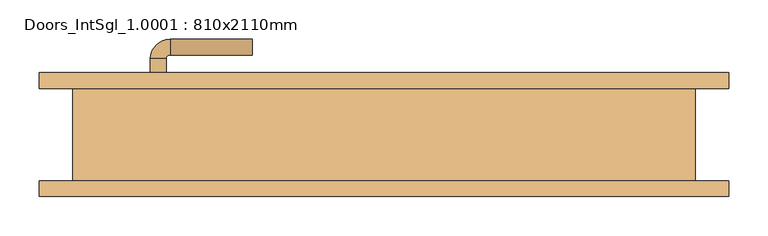
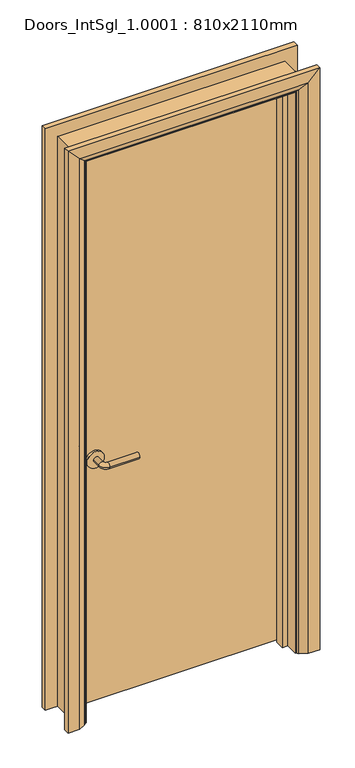
"""IFC4 building model written with IfcOpenShell, lengths in millimetres: door geometry, Doors_IntSgl_1.0001 : 810x2110mm."""

import ifcopenshell
import ifcopenshell.guid

model = None  # the IFC model being written
_history = None  # IfcOwnerHistory: only IFC2X3 demands one
_inside = {}  # id of a spatial element -> (the spatial element, [elements in it])
_under = {}  # id of a project, library or spatial element -> (it, [spatial elements below it])
_declared = {}  # id of a project -> (the project, [libraries it declares])
_typed = {}  # id of a type object -> (the type object, [elements of that type])
_made_of = {}  # id of a material, layer set ... -> (it, [elements and type objects made of it])


def new_model(schema):
    """Start an empty IFC model of exactly this schema.

    Asked for "IFC4X3", IfcOpenShell would pick the latest addendum, in which some entities
    have other attributes; the version numbers below select the first issue.
    IFC2X3 requires an IfcOwnerHistory on every rooted entity: one is made here for all.
    """
    global model, _history
    if schema == "IFC4X3":
        model = ifcopenshell.file(schema_version=(4, 3, 0, 0))
    else:
        model = ifcopenshell.file(schema=schema)
    _inside.clear()
    _under.clear()
    _declared.clear()
    _typed.clear()
    _made_of.clear()
    _history = None
    if model.schema == "IFC2X3":
        org = make("IfcOrganization", Name="unknown")
        user = make(
            "IfcPersonAndOrganization",
            ThePerson=make("IfcPerson", FamilyName="unknown"),
            TheOrganization=org,
        )
        app = make(
            "IfcApplication",
            ApplicationDeveloper=org,
            Version="unknown",
            ApplicationFullName="unknown",
            ApplicationIdentifier="unknown",
        )
        _history = make(
            "IfcOwnerHistory",
            OwningUser=user,
            OwningApplication=app,
            ChangeAction="ADDED",
            CreationDate=0,
        )
    return model


def make(cls, **values):
    """One entity of the class cls with the attributes given. An attribute that is None is left unset."""
    return model.create_entity(
        cls, **{name: value for name, value in values.items() if value is not None}
    )


def rooted(cls, **values):
    """An entity with a GlobalId (a new one), such as an element, a storey or a relation."""
    return make(cls, GlobalId=ifcopenshell.guid.new(), OwnerHistory=_history, **values)


def si_unit(unit_type, name, prefix=None):
    """IfcSIUnit, for example si_unit("LENGTHUNIT", "METRE", prefix="MILLI")."""
    return make("IfcSIUnit", UnitType=unit_type, Prefix=prefix, Name=name)


def assignment(units):
    """IfcUnitAssignment: the units of a project."""
    return None if units is None else make("IfcUnitAssignment", Units=units)


def point(xyz):
    """IfcCartesianPoint."""
    return None if xyz is None else make("IfcCartesianPoint", Coordinates=xyz)


def direction(xyz):
    """IfcDirection."""
    return None if xyz is None else make("IfcDirection", DirectionRatios=xyz)


def frame(location, z_axis=None, x_axis=None):
    """IfcAxis2Placement3D, a coordinate frame: its origin and axes. An axis left out is left unset."""
    return make(
        "IfcAxis2Placement3D",
        Location=point(location),
        Axis=direction(z_axis),
        RefDirection=direction(x_axis),
    )


def frame_2d(location, x_axis=None):
    """IfcAxis2Placement2D, a coordinate frame in the plane: its origin and x axis."""
    return make(
        "IfcAxis2Placement2D", Location=point(location), RefDirection=direction(x_axis)
    )


def origin():
    """The frame at (0, 0, 0) with its axes left unset."""
    return frame((0.0, 0.0, 0.0))


def place(relative_to, where):
    """IfcLocalPlacement: puts the frame where relative to a parent placement (None: the world)."""
    return make(
        "IfcLocalPlacement", PlacementRelTo=relative_to, RelativePlacement=where
    )


def context(
    kind, dimensions, precision=None, world=None, true_north=None, identifier=None
):
    """IfcGeometricRepresentationContext, for example the 3D "Model" context."""
    return make(
        "IfcGeometricRepresentationContext",
        ContextIdentifier=identifier,
        ContextType=kind,
        CoordinateSpaceDimension=dimensions,
        Precision=precision,
        WorldCoordinateSystem=world,
        TrueNorth=true_north,
    )


def project(units=None, contexts=None):
    """IfcProject with its units and contexts."""
    return rooted(
        "IfcProject",
        Name="project",
        RepresentationContexts=contexts,
        UnitsInContext=assignment(units),
    )


def spatial(cls, under=None, at=None, **own):
    """A site, building, storey or space (cls), placed at a placement, below another one or the project."""
    s = rooted(cls, ObjectPlacement=at, **own)
    if under is not None:
        _under.setdefault(under.id(), (under, []))[1].append(s)
    return s


def polyline(points):
    """IfcPolyline through the points."""
    return make("IfcPolyline", Points=[point(p) for p in points])


def circle_curve(where, radius):
    """IfcCircle in the frame where."""
    return make("IfcCircle", Position=where, Radius=radius)


def ellipse_curve(where, semi_axis1, semi_axis2):
    """IfcEllipse in the frame where."""
    return make(
        "IfcEllipse", Position=where, SemiAxis1=semi_axis1, SemiAxis2=semi_axis2
    )


def trimmed(basis, trim1, trim2, sense, master):
    """IfcTrimmedCurve: the piece of a basis curve between two trims."""
    return make(
        "IfcTrimmedCurve",
        BasisCurve=basis,
        Trim1=trim1,
        Trim2=trim2,
        SenseAgreement=sense,
        MasterRepresentation=master,
    )


def segment(curve, same_sense, transition):
    """IfcCompositeCurveSegment."""
    return make(
        "IfcCompositeCurveSegment",
        Transition=transition,
        SameSense=same_sense,
        ParentCurve=curve,
    )


def composite_curve(segments, self_intersect=None):
    """IfcCompositeCurve: segments joined end to end."""
    return make("IfcCompositeCurve", Segments=segments, SelfIntersect=self_intersect)


def outline(outer, holes=None, kind="AREA"):
    """IfcArbitraryClosedProfileDef: a profile drawn as a closed curve; with holes, ...WithVoids."""
    if holes is None:
        return make("IfcArbitraryClosedProfileDef", ProfileType=kind, OuterCurve=outer)
    return make(
        "IfcArbitraryProfileDefWithVoids",
        ProfileType=kind,
        OuterCurve=outer,
        InnerCurves=holes,
    )


def extrude(swept, where, along, depth):
    """IfcExtrudedAreaSolid: the profile swept, set in the frame where, extruded along a direction by depth."""
    return make(
        "IfcExtrudedAreaSolid",
        SweptArea=swept,
        Position=where,
        ExtrudedDirection=direction(along),
        Depth=depth,
    )


def faces_of(points, faces, orient=None, outer=None):
    """IfcFace entities. A face is a list of loops; a loop is a list of indices into points, from 0.

    orient and outer hold one flag for each loop. By default every Orientation is true, the
    first loop of a face is its IfcFaceOuterBound and the others are IfcFaceBound.
    """
    made = []
    for i, loops in enumerate(faces):
        bounds = []
        for j, loop in enumerate(loops):
            is_outer = j == 0 if outer is None else outer[i][j]
            bounds.append(
                make(
                    "IfcFaceOuterBound" if is_outer else "IfcFaceBound",
                    Bound=make("IfcPolyLoop", Polygon=[points[k] for k in loop]),
                    Orientation=True if orient is None else orient[i][j],
                )
            )
        made.append(make("IfcFace", Bounds=bounds))
    return made


def faceted_brep(points, faces, orient=None, outer=None, voids=None):
    """IfcFacetedBrep: a solid bounded by flat faces; with voids (closed shells), ...WithVoids."""
    shared = [point(p) for p in points]
    hull = make("IfcClosedShell", CfsFaces=faces_of(shared, faces, orient, outer))
    if voids is None:
        return make("IfcFacetedBrep", Outer=hull)
    return make(
        "IfcFacetedBrepWithVoids",
        Outer=hull,
        Voids=[
            make(cls, CfsFaces=faces_of(shared, fs, o, b)) for cls, fs, o, b in voids
        ],
    )


def shape(context_of_items, identifier, shape_type, items):
    """IfcShapeRepresentation: the items that make up one representation, for example the "Body"."""
    return make(
        "IfcShapeRepresentation",
        ContextOfItems=context_of_items,
        RepresentationIdentifier=identifier,
        RepresentationType=shape_type,
        Items=items,
    )


def source(mapping_origin, context_of_items, identifier, shape_type, items):
    """IfcRepresentationMap: a shape defined once, which mapped items show again and again."""
    return make(
        "IfcRepresentationMap",
        MappingOrigin=mapping_origin,
        MappedRepresentation=shape(context_of_items, identifier, shape_type, items),
    )


def transform(
    local_origin,
    x_axis=None,
    y_axis=None,
    z_axis=None,
    scale=None,
    scale2=None,
    scale3=None,
    uniform=True,
):
    """IfcCartesianTransformationOperator3D, or its non-uniform kind. x_axis, y_axis, z_axis: its Axis1, 2, 3."""
    if uniform:
        return make(
            "IfcCartesianTransformationOperator3D",
            Axis1=direction(x_axis),
            Axis2=direction(y_axis),
            LocalOrigin=point(local_origin),
            Scale=scale,
            Axis3=direction(z_axis),
        )
    return make(
        "IfcCartesianTransformationOperator3DnonUniform",
        Axis1=direction(x_axis),
        Axis2=direction(y_axis),
        LocalOrigin=point(local_origin),
        Scale=scale,
        Axis3=direction(z_axis),
        Scale2=scale2,
        Scale3=scale3,
    )


def mapped(mapping_source, mapping_target):
    """IfcMappedItem: shows the shape of a source again, moved by a transform."""
    return make(
        "IfcMappedItem", MappingSource=mapping_source, MappingTarget=mapping_target
    )


def made_of(thing, what):
    """Note that an element or type object is made of a material, layer set ...; save() writes the relation."""
    if what is not None:
        _made_of.setdefault(what.id(), (what, []))[1].append(thing)
    return thing


def element(
    cls,
    number,
    at=None,
    inside=None,
    cuts=None,
    type_object=None,
    material=None,
    context=None,
    identifier="Body",
    shape_type=None,
    held_by="IfcProductDefinitionShape",
    body=None,
    shapes=None,
    **own,
):
    """One element of the class cls, such as IfcWall. Its Tag is "e" and its number.

    at: its placement. inside: the storey or other place that contains it. cuts: it is an
    opening in that element (IfcRelVoidsElement). A single representation is given by context,
    identifier, shape_type and body (its items); several are given by shapes. held_by: the class
    of the entity that holds the representations. save() writes the other relations.
    """
    e = rooted(cls, Tag="e%d" % number, ObjectPlacement=at, **own)
    if body is not None:
        shapes = [shape(context, identifier, shape_type, body)]
    if shapes is not None:
        e.Representation = make(held_by, Representations=shapes)
    if inside is not None:
        _inside.setdefault(inside.id(), (inside, []))[1].append(e)
    if cuts is not None:
        rooted(
            "IfcRelVoidsElement", RelatingBuildingElement=cuts, RelatedOpeningElement=e
        )
    if type_object is not None:
        _typed.setdefault(type_object.id(), (type_object, []))[1].append(e)
    return made_of(e, material)


def aggregate(whole, parts):
    """IfcRelAggregates: a whole, such as a stair, and the parts it consists of."""
    return rooted("IfcRelAggregates", RelatingObject=whole, RelatedObjects=parts)


def save(model, path):
    """Write the relations noted so far, then the file.

    IfcRelAggregates (storeys below a building ...), IfcRelContainedInSpatialStructure (elements
    in a storey), IfcRelDefinesByType, IfcRelAssociatesMaterial and IfcRelDeclares: one each for
    every whole, place, type object, material and project.
    """
    for whole, parts in _under.values():
        aggregate(whole, parts)
    for where, things in _inside.values():
        rooted(
            "IfcRelContainedInSpatialStructure",
            RelatedElements=things,
            RelatingStructure=where,
        )
    for kind, things in _typed.values():
        rooted("IfcRelDefinesByType", RelatedObjects=things, RelatingType=kind)
    for what, things in _made_of.values():
        rooted("IfcRelAssociatesMaterial", RelatedObjects=things, RelatingMaterial=what)
    for by, libraries in _declared.values():
        rooted("IfcRelDeclares", RelatingContext=by, RelatedDefinitions=libraries)
    model.write(path)


def plane_surface(at):
    """IfcPlane: the flat surface through the origin of the frame at, square to its z axis."""
    return make("IfcPlane", Position=at)


def cylinder_surface(at, radius):
    """IfcCylindricalSurface: all points at the distance radius from the z axis of the frame at."""
    return make("IfcCylindricalSurface", Position=at, Radius=radius)


def revolved_surface(curve, axis_point, axis_direction):
    """IfcSurfaceOfRevolution: the curve turned about the line through axis_point along axis_direction."""
    return make(
        "IfcSurfaceOfRevolution",
        SweptCurve=make("IfcArbitraryOpenProfileDef", ProfileType="CURVE", Curve=curve),
        AxisPosition=make("IfcAxis1Placement", Location=point(axis_point), Axis=direction(axis_direction)),
    )


def advanced_brep(points, edges, surfaces, faces):
    """IfcAdvancedBrep: a solid bounded by faces that lie on surfaces and meet in shared edges.

    An edge is (start, end): straight between two places in points (the first is 0);
    or (start, end, curve); or (start, end, curve, False) where it runs against its curve.
    A face is (place in surfaces, loops), or (place, loops, False) where it looks against
    its surface's normal. A loop lists edges by number (the first is 1), with a minus sign
    where the edge is run from its end to its start. The first loop is the outer one.
    """
    corners = [point(p) for p in points]
    vertices = [make("IfcVertexPoint", VertexGeometry=c) for c in corners]
    made = []
    for start, end, *more in edges:
        made.append(
            make(
                "IfcEdgeCurve",
                EdgeStart=vertices[start],
                EdgeEnd=vertices[end],
                EdgeGeometry=more[0] if more else make("IfcPolyline", Points=[corners[start], corners[end]]),
                SameSense=more[1] if len(more) > 1 else True,
            )
        )
    hull = []
    for where, loops, *sense in faces:
        bounds = []
        for j, loop in enumerate(loops):
            ring = [make("IfcOrientedEdge", EdgeElement=made[abs(k) - 1], Orientation=k > 0) for k in loop]
            bounds.append(
                make(
                    "IfcFaceOuterBound" if j == 0 else "IfcFaceBound",
                    Bound=make("IfcEdgeLoop", EdgeList=ring),
                    Orientation=True,
                )
            )
        hull.append(make("IfcAdvancedFace", Bounds=bounds, FaceSurface=surfaces[where], SameSense=sense[0] if sense else True))
    return make("IfcAdvancedBrep", Outer=make("IfcClosedShell", CfsFaces=hull))


def doors_intsgl_1_0001_810x2110mm_eb64b38e(model_context):
    return source(origin(), model_context, "Body", "SolidModel", [
        advanced_brep(
        [(-298.0, 13.0, 900.0), (-278.0, 13.0, 900.0), (-278.0, -17.0, 900.0), (-298.0, -17.0, 900.0), (-273.0, -22.0, 900.0), (-273.0, -42.0, 900.0), (-168.0, -42.0, 900.0), (-168.0, -22.0, 900.0)],
        [
            (0, 1, circle_curve(frame((-288.0, 13.0, 900.0), z_axis=(0.0, 1.0, 0.0), x_axis=(1.0, 0.0, 0.0)), 10.0)),
            (1, 0, circle_curve(frame((-288.0, 13.0, 900.0), z_axis=(0.0, 1.0, 0.0), x_axis=(1.0, 0.0, 0.0)), 10.0)),
            (1, 2),
            (2, 3, circle_curve(frame((-288.0, -17.0, 900.0), z_axis=(0.0, 1.0, 0.0), x_axis=(1.0, 0.0, 0.0)), 10.0)),
            (3, 0),
            (3, 2, circle_curve(frame((-288.0, -17.0, 900.0), z_axis=(0.0, 1.0, 0.0), x_axis=(1.0, 0.0, 0.0)), 10.0)),
            (4, 5, circle_curve(frame((-273.0, -32.0, 900.0), z_axis=(-1.0, 0.0, 0.0), x_axis=(0.0, 1.0, 0.0)), 10.0)),
            (5, 3, circle_curve(frame((-273.0, -17.0, 900.0), z_axis=(0.0, 0.0, -1.0), x_axis=(-1.0, 0.0, 0.0)), 25.0)),
            (2, 4, circle_curve(frame((-273.0, -17.0, 900.0), z_axis=(0.0, 0.0, 1.0), x_axis=(-1.0, 0.0, 0.0)), 5.0)),
            (5, 4, circle_curve(frame((-273.0, -32.0, 900.0), z_axis=(-1.0, 0.0, 0.0), x_axis=(0.0, 1.0, 0.0)), 10.0)),
            (6, 7, circle_curve(frame((-168.0, -32.0, 900.0), z_axis=(1.0, 0.0, 0.0), x_axis=(0.0, 1.0, 0.0)), 10.0)),
            (7, 6, circle_curve(frame((-168.0, -32.0, 900.0), z_axis=(1.0, 0.0, 0.0), x_axis=(0.0, 1.0, 0.0)), 10.0)),
            (4, 7),
            (6, 5),
        ],
        [
            plane_surface(frame((-288.0, 13.0, 900.0), z_axis=(0.0, 1.0, 0.0), x_axis=(0.0, 0.0, 1.0))),
            cylinder_surface(frame((-288.0, 13.0, 900.0), z_axis=(0.0, 1.0, 0.0), x_axis=(1.0, 0.0, 0.0)), 10.0),
            revolved_surface(trimmed(ellipse_curve(frame((-288.0, -17.0, 900.0), z_axis=(0.0, -1.0, 0.0), x_axis=(1.0, 0.0, 0.0)), 10.0, 10.0), [point((-298.0, -17.0, 900.0))], [point((-278.0, -17.0, 900.0))], True, "CARTESIAN"), (-273.0, -17.0, 900.0), (0.0, 0.0, -1.0)),
            revolved_surface(trimmed(ellipse_curve(frame((-288.0, -17.0, 900.0), z_axis=(0.0, -1.0, 0.0), x_axis=(1.0, 0.0, 0.0)), 10.0, 10.0), [point((-278.0, -17.0, 900.0))], [point((-298.0, -17.0, 900.0))], True, "CARTESIAN"), (-273.0, -17.0, 900.0), (0.0, 0.0, -1.0)),
            plane_surface(frame((-168.0, -32.0, 900.0), z_axis=(1.0, 0.0, 0.0), x_axis=(0.0, 0.0, 1.0))),
            cylinder_surface(frame((-273.0, -32.0, 900.0), z_axis=(-1.0, 0.0, 0.0), x_axis=(0.0, 1.0, 0.0)), 10.0),
        ],
        [
            (0, [[1, 2]]),
            (1, [[3, 4, 5, -2]]),
            (1, [[-5, 6, -3, -1]]),
            (2, [[7, 8, -4, 9]]),
            (3, [[10, -9, -6, -8]]),
            (4, [[11, 12]]),
            (5, [[13, -11, 14, -7]]),
            (5, [[-14, -12, -13, -10]]),
        ],
    ),
        extrude(outline(composite_curve([segment(trimmed(circle_curve(frame_2d((900.0, -290.5)), 30.0), [point((900.0, -320.5))], [point((900.0, -260.5))], False, "CARTESIAN"), True, "CONTINUOUS"), segment(trimmed(circle_curve(frame_2d((900.0, -290.5)), 30.0), [point((900.0, -260.5))], [point((900.0, -320.5))], False, "CARTESIAN"), True, "CONTINUOUS")], self_intersect=False)), frame((0.0, 13.0, 0.0), z_axis=(0.0, 1.0, 0.0), x_axis=(0.0, 0.0, 1.0)), (0.0, 0.0, 1.0), 8.0),
        advanced_brep(
        [(-298.0, 67.0, 900.0), (-278.0, 67.0, 900.0), (-298.0, 97.0, 900.0), (-278.0, 97.0, 900.0), (-273.0, 102.0, 900.0), (-273.0, 122.0, 900.0), (-168.0, 122.0, 900.0), (-168.0, 102.0, 900.0)],
        [
            (0, 1, circle_curve(frame((-288.0, 67.0, 900.0), z_axis=(0.0, -1.0, 0.0), x_axis=(1.0, 0.0, 0.0)), 10.0)),
            (1, 0, circle_curve(frame((-288.0, 67.0, 900.0), z_axis=(0.0, -1.0, 0.0), x_axis=(1.0, 0.0, 0.0)), 10.0)),
            (0, 2),
            (2, 3, circle_curve(frame((-288.0, 97.0, 900.0), z_axis=(0.0, -1.0, 0.0), x_axis=(1.0, 0.0, 0.0)), 10.0)),
            (3, 1),
            (3, 2, circle_curve(frame((-288.0, 97.0, 900.0), z_axis=(0.0, -1.0, 0.0), x_axis=(1.0, 0.0, 0.0)), 10.0)),
            (4, 3, circle_curve(frame((-273.0, 97.0, 900.0), z_axis=(0.0, 0.0, 1.0), x_axis=(-1.0, 0.0, 0.0)), 5.0)),
            (2, 5, circle_curve(frame((-273.0, 97.0, 900.0), z_axis=(0.0, 0.0, -1.0), x_axis=(-1.0, 0.0, 0.0)), 25.0)),
            (5, 4, circle_curve(frame((-273.0, 112.0, 900.0), z_axis=(-1.0, 0.0, 0.0), x_axis=(0.0, -1.0, 0.0)), 10.0)),
            (4, 5, circle_curve(frame((-273.0, 112.0, 900.0), z_axis=(-1.0, 0.0, 0.0), x_axis=(0.0, -1.0, 0.0)), 10.0)),
            (6, 7, circle_curve(frame((-168.0, 112.0, 900.0), z_axis=(1.0, 0.0, 0.0), x_axis=(0.0, -1.0, 0.0)), 10.0)),
            (7, 6, circle_curve(frame((-168.0, 112.0, 900.0), z_axis=(1.0, 0.0, 0.0), x_axis=(0.0, -1.0, 0.0)), 10.0)),
            (5, 6),
            (7, 4),
        ],
        [
            plane_surface(frame((-288.0, 67.0, 900.0), z_axis=(0.0, -1.0, 0.0), x_axis=(0.0, 0.0, 1.0))),
            cylinder_surface(frame((-288.0, 67.0, 900.0), z_axis=(0.0, -1.0, 0.0), x_axis=(1.0, 0.0, 0.0)), 10.0),
            revolved_surface(trimmed(ellipse_curve(frame((-288.0, 97.0, 900.0), z_axis=(0.0, -1.0, 0.0), x_axis=(1.0, 0.0, 0.0)), 10.0, 10.0), [point((-298.0, 97.0, 900.0))], [point((-278.0, 97.0, 900.0))], True, "CARTESIAN"), (-273.0, 97.0, 900.0), (0.0, 0.0, -1.0)),
            revolved_surface(trimmed(ellipse_curve(frame((-288.0, 97.0, 900.0), z_axis=(0.0, -1.0, 0.0), x_axis=(1.0, 0.0, 0.0)), 10.0, 10.0), [point((-278.0, 97.0, 900.0))], [point((-298.0, 97.0, 900.0))], True, "CARTESIAN"), (-273.0, 97.0, 900.0), (0.0, 0.0, -1.0)),
            plane_surface(frame((-168.0, 112.0, 900.0), z_axis=(1.0, 0.0, 0.0), x_axis=(0.0, 0.0, 1.0))),
            cylinder_surface(frame((-273.0, 112.0, 900.0), z_axis=(-1.0, 0.0, 0.0), x_axis=(0.0, -1.0, 0.0)), 10.0),
        ],
        [
            (0, [[1, 2]]),
            (1, [[-1, 3, 4, 5]]),
            (1, [[-2, -5, 6, -3]]),
            (2, [[7, -4, 8, 9]]),
            (3, [[-8, -6, -7, 10]]),
            (4, [[11, 12]]),
            (5, [[-9, 13, -12, 14]]),
            (5, [[-10, -14, -11, -13]]),
        ],
    ),
        extrude(outline(composite_curve([segment(trimmed(circle_curve(frame_2d((900.0, -290.5)), 30.0), [point((900.0, -320.5))], [point((900.0, -260.5))], False, "CARTESIAN"), True, "CONTINUOUS"), segment(trimmed(circle_curve(frame_2d((900.0, -290.5)), 30.0), [point((900.0, -260.5))], [point((900.0, -320.5))], False, "CARTESIAN"), True, "CONTINUOUS")], self_intersect=False)), frame((0.0, 59.0, 0.0), z_axis=(0.0, 1.0, 0.0), x_axis=(0.0, 0.0, 1.0)), (0.0, 0.0, 1.0), 8.0),
        extrude(outline(polyline([(363.0, 21.0), (-363.0, 21.0), (-363.0, 59.0), (363.0, 59.0), (363.0, 21.0)])), frame((0.0, 0.0, 8.0), z_axis=(0.0, 0.0, 1.0), x_axis=(1.0, 0.0, 0.0)), (0.0, 0.0, 1.0), 2060.0),
        advanced_brep(
        [(440.0, 79.0, 0.0), (440.0, 59.0, 0.0), (370.0, 59.0, 0.0), (374.0, 65.0, 0.0), (400.0, 79.0, 0.0), (440.0, 79.0, 2145.0), (440.0, 59.0, 2145.0), (-440.0, 59.0, 2145.0), (-440.0, 59.0, 0.0), (-370.0, 59.0, 0.0), (-370.0, 59.0, 2075.0), (370.0, 59.0, 2075.0), (374.0, 65.0, 2079.0), (400.0, 79.0, 2105.0), (-400.0, 79.0, 2105.0), (-400.0, 79.0, 0.0), (-440.0, 79.0, 0.0), (-440.0, 79.0, 2145.0), (-374.0, 65.0, 0.0), (-374.0, 65.0, 2079.0)],
        [
            (0, 1),
            (1, 2),
            (2, 3, circle_curve(frame((378.0, 58.0, 0.0), z_axis=(0.0, 0.0, -1.0), x_axis=(1.0, 0.0, 0.0)), 8.0622577)),
            (3, 4),
            (4, 0),
            (0, 5),
            (5, 6),
            (6, 1),
            (6, 7),
            (7, 8),
            (8, 9),
            (9, 10),
            (10, 11),
            (11, 2),
            (11, 12, ellipse_curve(frame((378.0, 58.0, 2083.0), z_axis=(0.7071067811865475, 0.0, -0.7071067811865475), x_axis=(-0.7071067811865474, 0.0, -0.7071067811865476)), 11.4017543, 8.0622577)),
            (12, 3),
            (12, 13),
            (13, 4),
            (13, 14),
            (14, 15),
            (15, 16),
            (16, 17),
            (17, 5),
            (7, 17),
            (16, 8),
            (15, 18),
            (18, 9, circle_curve(frame((-378.0, 58.0, 0.0), z_axis=(0.0, 0.0, -1.0), x_axis=(-1.0, 0.0, 0.0)), 8.0622577)),
            (19, 10, ellipse_curve(frame((-378.0, 58.0, 2083.0), z_axis=(-0.7071067811865475, 0.0, -0.7071067811865475), x_axis=(-0.7071067811865474, 0.0, 0.7071067811865476)), 11.4017543, 8.0622577)),
            (18, 19),
            (14, 19),
            (19, 12),
        ],
        [
            plane_surface(frame((370.0, 59.0, 0.0), z_axis=(0.0, 0.0, -1.0), x_axis=(0.0, -1.0, 0.0))),
            plane_surface(frame((440.0, 79.0, 0.0), z_axis=(1.0, 0.0, 0.0), x_axis=(0.0, 0.0, 1.0))),
            plane_surface(frame((440.0, 59.0, 0.0), z_axis=(0.0, -1.0, 0.0), x_axis=(0.0, 0.0, 1.0))),
            cylinder_surface(frame((378.0, 58.0, 0.0), z_axis=(0.0, 0.0, -1.0), x_axis=(1.0, 0.0, 0.0)), 8.0622577),
            plane_surface(frame((374.0, 65.0, 0.0), z_axis=(-0.4740998230350126, 0.880471099922178, 0.0), x_axis=(0.0, 0.0, 1.0))),
            plane_surface(frame((400.0, 79.0, 0.0), z_axis=(0.0, 1.0, 0.0), x_axis=(0.0, 0.0, 1.0))),
            plane_surface(frame((-440.0, 79.0, 2145.0), z_axis=(-1.0, 0.0, 0.0), x_axis=(0.0, 0.0, -1.0))),
            plane_surface(frame((-370.0, 59.0, 0.0), z_axis=(0.0, 0.0, -1.0), x_axis=(0.0, -1.0, 0.0))),
            cylinder_surface(frame((-378.0, 58.0, 2075.0), z_axis=(0.0, 0.0, 1.0), x_axis=(-1.0, 0.0, 0.0)), 8.0622577),
            plane_surface(frame((-374.0, 65.0, 2079.0), z_axis=(0.47409982303501824, 0.8804710999221749, 0.0), x_axis=(0.0, 0.0, -1.0))),
            plane_surface(frame((440.0, 79.0, 2145.0), z_axis=(0.0, 0.0, 1.0), x_axis=(-1.0, 0.0, 0.0))),
            cylinder_surface(frame((370.0, 58.0, 2083.0), z_axis=(1.0, 0.0, 0.0), x_axis=(0.0, 0.0, 1.0)), 8.0622577),
            plane_surface(frame((374.0, 65.0, 2079.0), z_axis=(0.0, 0.8804710999221764, -0.4740998230350154), x_axis=(-1.0, 0.0, 0.0))),
        ],
        [
            (0, [[1, 2, 3, 4, 5]]),
            (1, [[-1, 6, 7, 8]]),
            (2, [[-2, -8, 9, 10, 11, 12, 13, 14]]),
            (3, [[-3, -14, 15, 16]]),
            (4, [[-4, -16, 17, 18]]),
            (5, [[-5, -18, 19, 20, 21, 22, 23, -6]]),
            (6, [[24, -22, 25, -10]]),
            (7, [[-21, 26, 27, -11, -25]]),
            (8, [[28, -12, -27, 29]]),
            (9, [[30, -29, -26, -20]]),
            (10, [[-7, -23, -24, -9]]),
            (11, [[-15, -13, -28, 31]]),
            (12, [[-17, -31, -30, -19]]),
        ],
    ),
        extrude(outline(polyline([(0.0, -365.0), (0.0, -346.0), (2051.0, -346.0), (2051.0, 346.0), (0.0, 346.0), (0.0, 365.0), (2070.0, 365.0), (2070.0, -365.0), (0.0, -365.0)])), frame((0.0, -13.0, 0.0), z_axis=(0.0, 1.0, 0.0), x_axis=(0.0, 0.0, 1.0)), (0.0, 0.0, 1.0), 32.0),
        advanced_brep(
        [(-440.0, -79.0, 0.0), (-440.0, -59.0, 0.0), (-370.0, -59.0, 0.0), (-374.0, -65.0, 0.0), (-400.0, -79.0, 0.0), (-440.0, -79.0, 2145.0), (-440.0, -59.0, 2145.0), (-370.0, -59.0, 2075.0), (-374.0, -65.0, 2079.0), (-400.0, -79.0, 2105.0), (440.0, -79.0, 0.0), (400.0, -79.0, 0.0), (374.0, -65.0, 0.0), (370.0, -59.0, 0.0), (440.0, -59.0, 0.0), (440.0, -79.0, 2145.0), (400.0, -79.0, 2105.0), (374.0, -65.0, 2079.0), (370.0, -59.0, 2075.0), (440.0, -59.0, 2145.0)],
        [
            (0, 1),
            (1, 2),
            (2, 3, circle_curve(frame((-378.0, -58.0, 0.0), z_axis=(0.0, 0.0, -1.0), x_axis=(-1.0, 0.0, 0.0)), 8.0622577)),
            (3, 4),
            (4, 0),
            (0, 5),
            (5, 6),
            (6, 1),
            (6, 7),
            (7, 2),
            (7, 8, ellipse_curve(frame((-378.0, -58.0, 2083.0), z_axis=(-0.7071067811865475, 0.0, -0.7071067811865475), x_axis=(0.7071067811865474, 0.0, -0.7071067811865476)), 11.4017543, 8.0622577)),
            (8, 3),
            (8, 9),
            (9, 4),
            (9, 5),
            (10, 11),
            (11, 12),
            (12, 13, circle_curve(frame((378.0, -58.0, 0.0), z_axis=(0.0, 0.0, -1.0), x_axis=(1.0, 0.0, 0.0)), 8.0622577)),
            (13, 14),
            (14, 10),
            (15, 16),
            (16, 11),
            (10, 15),
            (16, 17),
            (17, 12),
            (17, 18, ellipse_curve(frame((378.0, -58.0, 2083.0), z_axis=(0.7071067811865475, 0.0, -0.7071067811865475), x_axis=(0.7071067811865474, 0.0, 0.7071067811865476)), 11.4017543, 8.0622577)),
            (18, 13),
            (18, 19),
            (19, 14),
            (19, 15),
            (5, 15),
            (19, 6),
            (18, 7),
            (17, 8),
            (16, 9),
        ],
        [
            plane_surface(frame((-370.0, -131.8010989, 0.0), z_axis=(0.0, 0.0, -1.0), x_axis=(1.0, 0.0, 0.0))),
            plane_surface(frame((-440.0, -79.0, 0.0), z_axis=(-1.0, 0.0, 0.0), x_axis=(0.0, 0.0, 1.0))),
            plane_surface(frame((-440.0, -59.0, 0.0), z_axis=(0.0, 1.0, 0.0), x_axis=(0.0, 0.0, 1.0))),
            cylinder_surface(frame((-378.0, -58.0, 0.0), z_axis=(0.0, 0.0, -1.0), x_axis=(-1.0, 0.0, 0.0)), 8.0622577),
            plane_surface(frame((-374.0, -65.0, 0.0), z_axis=(0.4740998230350183, -0.8804710999221749, 0.0), x_axis=(0.0, 0.0, 1.0))),
            plane_surface(frame((-400.0, -79.0, 0.0), z_axis=(0.0, -1.0, 0.0), x_axis=(0.0, 0.0, 1.0))),
            plane_surface(frame((370.0, -131.8010989, 0.0), z_axis=(0.0, 0.0, -1.0), x_axis=(-1.0, 0.0, 0.0))),
            plane_surface(frame((400.0, -79.0, 2105.0), z_axis=(0.0, -1.0, 0.0), x_axis=(0.0, 0.0, -1.0))),
            plane_surface(frame((374.0, -65.0, 2079.0), z_axis=(-0.4740998230350183, -0.8804710999221749, 0.0), x_axis=(0.0, 0.0, -1.0))),
            cylinder_surface(frame((378.0, -58.0, 2075.0), z_axis=(0.0, 0.0, 1.0), x_axis=(1.0, 0.0, 0.0)), 8.0622577),
            plane_surface(frame((440.0, -59.0, 2145.0), z_axis=(0.0, 1.0, 0.0), x_axis=(0.0, 0.0, -1.0))),
            plane_surface(frame((440.0, -79.0, 2145.0), z_axis=(1.0, 0.0, 0.0), x_axis=(0.0, 0.0, -1.0))),
            plane_surface(frame((-440.0, -79.0, 2145.0), z_axis=(0.0, 0.0, 1.0), x_axis=(1.0, 0.0, 0.0))),
            plane_surface(frame((-440.0, -59.0, 2145.0), z_axis=(0.0, 1.0, 0.0), x_axis=(1.0, 0.0, 0.0))),
            cylinder_surface(frame((-370.0, -58.0, 2083.0), z_axis=(-1.0, 0.0, 0.0), x_axis=(0.0, 0.0, 1.0)), 8.0622577),
            plane_surface(frame((-374.0, -65.0, 2079.0), z_axis=(0.0, -0.8804710999221749, -0.4740998230350183), x_axis=(1.0, 0.0, 0.0))),
            plane_surface(frame((-400.0, -79.0, 2105.0), z_axis=(0.0, -1.0, 0.0), x_axis=(1.0, 0.0, 0.0))),
        ],
        [
            (0, [[1, 2, 3, 4, 5]]),
            (1, [[-1, 6, 7, 8]]),
            (2, [[-2, -8, 9, 10]]),
            (3, [[-3, -10, 11, 12]]),
            (4, [[-4, -12, 13, 14]]),
            (5, [[-5, -14, 15, -6]]),
            (6, [[16, 17, 18, 19, 20]]),
            (7, [[21, 22, -16, 23]]),
            (8, [[24, 25, -17, -22]]),
            (9, [[26, 27, -18, -25]]),
            (10, [[28, 29, -19, -27]]),
            (11, [[30, -23, -20, -29]]),
            (12, [[-7, 31, -30, 32]]),
            (13, [[-9, -32, -28, 33]]),
            (14, [[-11, -33, -26, 34]]),
            (15, [[-13, -34, -24, 35]]),
            (16, [[-15, -35, -21, -31]]),
        ],
    ),
        faceted_brep([(-365.0, 59.0, 0.0), (-365.0, -59.0, 0.0), (-397.0, -59.0, 0.0), (-397.0, 59.0, 0.0), (-365.0, 59.0, 2070.0), (-365.0, -59.0, 2070.0), (-397.0, -59.0, 2102.0), (-397.0, 59.0, 2102.0), (365.0, 59.0, 0.0), (397.0, 59.0, 0.0), (397.0, -59.0, 0.0), (365.0, -59.0, 0.0), (365.0, 59.0, 2070.0), (397.0, 59.0, 2102.0), (397.0, -59.0, 2102.0), (365.0, -59.0, 2070.0)], [[[0, 1, 2, 3]], [[1, 0, 4, 5]], [[2, 1, 5, 6]], [[3, 2, 6, 7]], [[0, 3, 7, 4]], [[8, 9, 10, 11]], [[12, 13, 9, 8]], [[13, 14, 10, 9]], [[14, 15, 11, 10]], [[15, 12, 8, 11]], [[5, 4, 12, 15]], [[6, 5, 15, 14]], [[7, 6, 14, 13]], [[4, 7, 13, 12]]]),
    ])


if __name__ == "__main__":
    model = new_model("IFC4")
    model_context = context("Model", 3, world=origin())
    ifc_project = project(units=[si_unit("LENGTHUNIT", "METRE", prefix="MILLI")], contexts=[model_context])
    site = spatial("IfcSite", under=ifc_project)
    building = spatial("IfcBuilding", under=site)
    placement = place(None, origin())
    doors_intsgl_1_0001_810x2110mm_shape = doors_intsgl_1_0001_810x2110mm_eb64b38e(model_context)
    element("IfcDoor", 1, ObjectType="Doors_IntSgl_1.0001 : 810x2110mm", at=placement, inside=building, context=model_context, shape_type="MappedRepresentation", body=[
        mapped(doors_intsgl_1_0001_810x2110mm_shape, transform((0.0, 0.0, 0.0), x_axis=(1.0, 0.0, 0.0), y_axis=(0.0, 1.0, 0.0), z_axis=(0.0, 0.0, 1.0))),
    ])
    save(model, "model.ifc")
